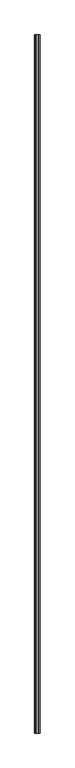
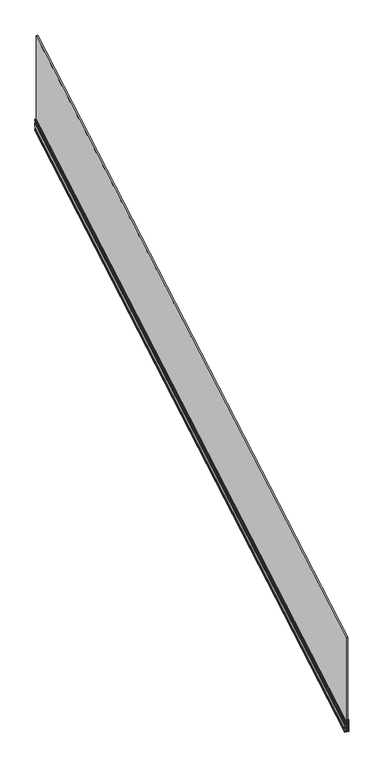
"""IFC4 building model written with IfcOpenShell, lengths in millimetres: railing geometry."""

import ifcopenshell
import ifcopenshell.guid

model = None  # the IFC model being written
_history = None  # IfcOwnerHistory: only IFC2X3 demands one
_inside = {}  # id of a spatial element -> (the spatial element, [elements in it])
_under = {}  # id of a project, library or spatial element -> (it, [spatial elements below it])
_declared = {}  # id of a project -> (the project, [libraries it declares])
_typed = {}  # id of a type object -> (the type object, [elements of that type])
_made_of = {}  # id of a material, layer set ... -> (it, [elements and type objects made of it])


def new_model(schema):
    """Start an empty IFC model of exactly this schema.

    Asked for "IFC4X3", IfcOpenShell would pick the latest addendum, in which some entities
    have other attributes; the version numbers below select the first issue.
    IFC2X3 requires an IfcOwnerHistory on every rooted entity: one is made here for all.
    """
    global model, _history
    if schema == "IFC4X3":
        model = ifcopenshell.file(schema_version=(4, 3, 0, 0))
    else:
        model = ifcopenshell.file(schema=schema)
    _inside.clear()
    _under.clear()
    _declared.clear()
    _typed.clear()
    _made_of.clear()
    _history = None
    if model.schema == "IFC2X3":
        org = make("IfcOrganization", Name="unknown")
        user = make(
            "IfcPersonAndOrganization",
            ThePerson=make("IfcPerson", FamilyName="unknown"),
            TheOrganization=org,
        )
        app = make(
            "IfcApplication",
            ApplicationDeveloper=org,
            Version="unknown",
            ApplicationFullName="unknown",
            ApplicationIdentifier="unknown",
        )
        _history = make(
            "IfcOwnerHistory",
            OwningUser=user,
            OwningApplication=app,
            ChangeAction="ADDED",
            CreationDate=0,
        )
    return model


def make(cls, **values):
    """One entity of the class cls with the attributes given. An attribute that is None is left unset."""
    return model.create_entity(
        cls, **{name: value for name, value in values.items() if value is not None}
    )


def rooted(cls, **values):
    """An entity with a GlobalId (a new one), such as an element, a storey or a relation."""
    return make(cls, GlobalId=ifcopenshell.guid.new(), OwnerHistory=_history, **values)


def si_unit(unit_type, name, prefix=None):
    """IfcSIUnit, for example si_unit("LENGTHUNIT", "METRE", prefix="MILLI")."""
    return make("IfcSIUnit", UnitType=unit_type, Prefix=prefix, Name=name)


def assignment(units):
    """IfcUnitAssignment: the units of a project."""
    return None if units is None else make("IfcUnitAssignment", Units=units)


def point(xyz):
    """IfcCartesianPoint."""
    return None if xyz is None else make("IfcCartesianPoint", Coordinates=xyz)


def direction(xyz):
    """IfcDirection."""
    return None if xyz is None else make("IfcDirection", DirectionRatios=xyz)


def frame(location, z_axis=None, x_axis=None):
    """IfcAxis2Placement3D, a coordinate frame: its origin and axes. An axis left out is left unset."""
    return make(
        "IfcAxis2Placement3D",
        Location=point(location),
        Axis=direction(z_axis),
        RefDirection=direction(x_axis),
    )


def origin():
    """The frame at (0, 0, 0) with its axes left unset."""
    return frame((0.0, 0.0, 0.0))


def place(relative_to, where):
    """IfcLocalPlacement: puts the frame where relative to a parent placement (None: the world)."""
    return make(
        "IfcLocalPlacement", PlacementRelTo=relative_to, RelativePlacement=where
    )


def context(
    kind, dimensions, precision=None, world=None, true_north=None, identifier=None
):
    """IfcGeometricRepresentationContext, for example the 3D "Model" context."""
    return make(
        "IfcGeometricRepresentationContext",
        ContextIdentifier=identifier,
        ContextType=kind,
        CoordinateSpaceDimension=dimensions,
        Precision=precision,
        WorldCoordinateSystem=world,
        TrueNorth=true_north,
    )


def project(units=None, contexts=None):
    """IfcProject with its units and contexts."""
    return rooted(
        "IfcProject",
        Name="project",
        RepresentationContexts=contexts,
        UnitsInContext=assignment(units),
    )


def spatial(cls, under=None, at=None, **own):
    """A site, building, storey or space (cls), placed at a placement, below another one or the project."""
    s = rooted(cls, ObjectPlacement=at, **own)
    if under is not None:
        _under.setdefault(under.id(), (under, []))[1].append(s)
    return s


def polyline(points):
    """IfcPolyline through the points."""
    return make("IfcPolyline", Points=[point(p) for p in points])


def ellipse_curve(where, semi_axis1, semi_axis2):
    """IfcEllipse in the frame where."""
    return make(
        "IfcEllipse", Position=where, SemiAxis1=semi_axis1, SemiAxis2=semi_axis2
    )


def faces_of(points, faces, orient=None, outer=None):
    """IfcFace entities. A face is a list of loops; a loop is a list of indices into points, from 0.

    orient and outer hold one flag for each loop. By default every Orientation is true, the
    first loop of a face is its IfcFaceOuterBound and the others are IfcFaceBound.
    """
    made = []
    for i, loops in enumerate(faces):
        bounds = []
        for j, loop in enumerate(loops):
            is_outer = j == 0 if outer is None else outer[i][j]
            bounds.append(
                make(
                    "IfcFaceOuterBound" if is_outer else "IfcFaceBound",
                    Bound=make("IfcPolyLoop", Polygon=[points[k] for k in loop]),
                    Orientation=True if orient is None else orient[i][j],
                )
            )
        made.append(make("IfcFace", Bounds=bounds))
    return made


def faceted_brep(points, faces, orient=None, outer=None, voids=None):
    """IfcFacetedBrep: a solid bounded by flat faces; with voids (closed shells), ...WithVoids."""
    shared = [point(p) for p in points]
    hull = make("IfcClosedShell", CfsFaces=faces_of(shared, faces, orient, outer))
    if voids is None:
        return make("IfcFacetedBrep", Outer=hull)
    return make(
        "IfcFacetedBrepWithVoids",
        Outer=hull,
        Voids=[
            make(cls, CfsFaces=faces_of(shared, fs, o, b)) for cls, fs, o, b in voids
        ],
    )


def shape(context_of_items, identifier, shape_type, items):
    """IfcShapeRepresentation: the items that make up one representation, for example the "Body"."""
    return make(
        "IfcShapeRepresentation",
        ContextOfItems=context_of_items,
        RepresentationIdentifier=identifier,
        RepresentationType=shape_type,
        Items=items,
    )


def source(mapping_origin, context_of_items, identifier, shape_type, items):
    """IfcRepresentationMap: a shape defined once, which mapped items show again and again."""
    return make(
        "IfcRepresentationMap",
        MappingOrigin=mapping_origin,
        MappedRepresentation=shape(context_of_items, identifier, shape_type, items),
    )


def transform(
    local_origin,
    x_axis=None,
    y_axis=None,
    z_axis=None,
    scale=None,
    scale2=None,
    scale3=None,
    uniform=True,
):
    """IfcCartesianTransformationOperator3D, or its non-uniform kind. x_axis, y_axis, z_axis: its Axis1, 2, 3."""
    if uniform:
        return make(
            "IfcCartesianTransformationOperator3D",
            Axis1=direction(x_axis),
            Axis2=direction(y_axis),
            LocalOrigin=point(local_origin),
            Scale=scale,
            Axis3=direction(z_axis),
        )
    return make(
        "IfcCartesianTransformationOperator3DnonUniform",
        Axis1=direction(x_axis),
        Axis2=direction(y_axis),
        LocalOrigin=point(local_origin),
        Scale=scale,
        Axis3=direction(z_axis),
        Scale2=scale2,
        Scale3=scale3,
    )


def mapped(mapping_source, mapping_target):
    """IfcMappedItem: shows the shape of a source again, moved by a transform."""
    return make(
        "IfcMappedItem", MappingSource=mapping_source, MappingTarget=mapping_target
    )


def made_of(thing, what):
    """Note that an element or type object is made of a material, layer set ...; save() writes the relation."""
    if what is not None:
        _made_of.setdefault(what.id(), (what, []))[1].append(thing)
    return thing


def element(
    cls,
    number,
    at=None,
    inside=None,
    cuts=None,
    type_object=None,
    material=None,
    context=None,
    identifier="Body",
    shape_type=None,
    held_by="IfcProductDefinitionShape",
    body=None,
    shapes=None,
    **own,
):
    """One element of the class cls, such as IfcWall. Its Tag is "e" and its number.

    at: its placement. inside: the storey or other place that contains it. cuts: it is an
    opening in that element (IfcRelVoidsElement). A single representation is given by context,
    identifier, shape_type and body (its items); several are given by shapes. held_by: the class
    of the entity that holds the representations. save() writes the other relations.
    """
    e = rooted(cls, Tag="e%d" % number, ObjectPlacement=at, **own)
    if body is not None:
        shapes = [shape(context, identifier, shape_type, body)]
    if shapes is not None:
        e.Representation = make(held_by, Representations=shapes)
    if inside is not None:
        _inside.setdefault(inside.id(), (inside, []))[1].append(e)
    if cuts is not None:
        rooted(
            "IfcRelVoidsElement", RelatingBuildingElement=cuts, RelatedOpeningElement=e
        )
    if type_object is not None:
        _typed.setdefault(type_object.id(), (type_object, []))[1].append(e)
    return made_of(e, material)


def aggregate(whole, parts):
    """IfcRelAggregates: a whole, such as a stair, and the parts it consists of."""
    return rooted("IfcRelAggregates", RelatingObject=whole, RelatedObjects=parts)


def save(model, path):
    """Write the relations noted so far, then the file.

    IfcRelAggregates (storeys below a building ...), IfcRelContainedInSpatialStructure (elements
    in a storey), IfcRelDefinesByType, IfcRelAssociatesMaterial and IfcRelDeclares: one each for
    every whole, place, type object, material and project.
    """
    for whole, parts in _under.values():
        aggregate(whole, parts)
    for where, things in _inside.values():
        rooted(
            "IfcRelContainedInSpatialStructure",
            RelatedElements=things,
            RelatingStructure=where,
        )
    for kind, things in _typed.values():
        rooted("IfcRelDefinesByType", RelatedObjects=things, RelatingType=kind)
    for what, things in _made_of.values():
        rooted("IfcRelAssociatesMaterial", RelatedObjects=things, RelatingMaterial=what)
    for by, libraries in _declared.values():
        rooted("IfcRelDeclares", RelatingContext=by, RelatedDefinitions=libraries)
    model.write(path)


def plane_surface(at):
    """IfcPlane: the flat surface through the origin of the frame at, square to its z axis."""
    return make("IfcPlane", Position=at)


def cylinder_surface(at, radius):
    """IfcCylindricalSurface: all points at the distance radius from the z axis of the frame at."""
    return make("IfcCylindricalSurface", Position=at, Radius=radius)


def revolved_surface(curve, axis_point, axis_direction):
    """IfcSurfaceOfRevolution: the curve turned about the line through axis_point along axis_direction."""
    return make(
        "IfcSurfaceOfRevolution",
        SweptCurve=make("IfcArbitraryOpenProfileDef", ProfileType="CURVE", Curve=curve),
        AxisPosition=make("IfcAxis1Placement", Location=point(axis_point), Axis=direction(axis_direction)),
    )


def advanced_brep(points, edges, surfaces, faces):
    """IfcAdvancedBrep: a solid bounded by faces that lie on surfaces and meet in shared edges.

    An edge is (start, end): straight between two places in points (the first is 0);
    or (start, end, curve); or (start, end, curve, False) where it runs against its curve.
    A face is (place in surfaces, loops), or (place, loops, False) where it looks against
    its surface's normal. A loop lists edges by number (the first is 1), with a minus sign
    where the edge is run from its end to its start. The first loop is the outer one.
    """
    corners = [point(p) for p in points]
    vertices = [make("IfcVertexPoint", VertexGeometry=c) for c in corners]
    made = []
    for start, end, *more in edges:
        made.append(
            make(
                "IfcEdgeCurve",
                EdgeStart=vertices[start],
                EdgeEnd=vertices[end],
                EdgeGeometry=more[0] if more else make("IfcPolyline", Points=[corners[start], corners[end]]),
                SameSense=more[1] if len(more) > 1 else True,
            )
        )
    hull = []
    for where, loops, *sense in faces:
        bounds = []
        for j, loop in enumerate(loops):
            ring = [make("IfcOrientedEdge", EdgeElement=made[abs(k) - 1], Orientation=k > 0) for k in loop]
            bounds.append(
                make(
                    "IfcFaceOuterBound" if j == 0 else "IfcFaceBound",
                    Bound=make("IfcEdgeLoop", EdgeList=ring),
                    Orientation=True,
                )
            )
        hull.append(make("IfcAdvancedFace", Bounds=bounds, FaceSurface=surfaces[where], SameSense=sense[0] if sense else True))
    return make("IfcAdvancedBrep", Outer=make("IfcClosedShell", CfsFaces=hull))


def railing_c26ebcb7(model_context):
    return source(origin(), model_context, "Body", "SolidModel", [
        faceted_brep([(-16157.1094741, -67863.9305034, 1172.4394537), (-16174.6294741, -67863.9305034, 1172.4394537), (-16174.6294741, -67863.9305034, 28.1159935), (-16157.1094741, -67863.9305034, 28.1159935), (-16157.1094741, -61563.9305034, 4824.6133667), (-16157.1094741, -61563.9305034, 3680.2899066), (-16174.6294741, -61563.9305034, 3680.2899066), (-16174.6294741, -61563.9305034, 4824.6133667)], [[[0, 1, 2, 3]], [[4, 5, 6, 7]], [[2, 1, 7, 6]], [[1, 0, 4, 7]], [[0, 3, 5, 4]], [[3, 2, 6, 5]]]),
        faceted_brep([(-16178.3694741, -67863.9305034, 15.4718663), (-16178.3694741, -67863.9305034, 38.589512), (-16182.4075682, -67863.9305034, 142.6189174), (-16188.2694741, -67863.9305034, 142.6189174), (-16189.3694741, -67863.9305034, 141.3474469), (-16189.3694741, -67863.9305034, 120.5415658), (-16186.8694741, -67863.9305034, 117.6518601), (-16186.8694741, -67863.9305034, 98.6953907), (-16189.3694741, -67863.9305034, 95.805685), (-16189.3694741, -67863.9305034, 50.7262759), (-16186.8694741, -67863.9305034, 47.8365702), (-16186.8694741, -67863.9305034, 29.3424537), (-16189.3694741, -67863.9305034, 26.452748), (-16189.3694741, -67863.9305034, 3.9130435), (-16144.3694741, -67863.9305034, 3.9130435), (-16144.3694741, -67863.9305034, 6.224808), (-16148.6194741, -67863.9305034, 6.9152149), (-16148.6194741, -67863.9305034, 8.8255945), (-16144.8694741, -67863.9305034, 8.8255945), (-16144.8694741, -67863.9305034, 143.7747997), (-16145.8694741, -67863.9305034, 143.7747997), (-16146.8694741, -67863.9305034, 142.6189174), (-16150.5694741, -67863.9305034, 142.6189174), (-16150.5694741, -67863.9305034, 119.5012718), (-16149.5694741, -67863.9305034, 118.8339228), (-16153.3694741, -67863.9305034, 92.3380381), (-16153.3694741, -67863.9305034, 15.4718663), (-16178.3694741, -61563.9305034, 3667.6457794), (-16153.3694741, -61563.9305034, 3667.6457794), (-16153.3694741, -61563.9305034, 3744.5119512), (-16149.5694741, -61563.9305034, 3771.0078359), (-16150.5694741, -61563.9305034, 3771.6751848), (-16150.5694741, -61563.9305034, 3794.7928305), (-16146.8694741, -61563.9305034, 3794.7928305), (-16145.8694741, -61563.9305034, 3795.9487128), (-16144.8694741, -61563.9305034, 3795.9487128), (-16144.8694741, -61563.9305034, 3660.9995075), (-16148.6194741, -61563.9305034, 3660.9995075), (-16148.6194741, -61563.9305034, 3659.0891279), (-16144.3694741, -61563.9305034, 3658.3987211), (-16144.3694741, -61563.9305034, 3656.0869565), (-16189.3694741, -61563.9305034, 3656.0869565), (-16189.3694741, -61563.9305034, 3678.626661), (-16186.8694741, -61563.9305034, 3681.5163667), (-16186.8694741, -61563.9305034, 3700.0104833), (-16189.3694741, -61563.9305034, 3702.900189), (-16189.3694741, -61563.9305034, 3747.979598), (-16186.8694741, -61563.9305034, 3750.8693037), (-16186.8694741, -61563.9305034, 3769.8257732), (-16189.3694741, -61563.9305034, 3772.7154789), (-16189.3694741, -61563.9305034, 3793.52136), (-16188.2694741, -61563.9305034, 3794.7928305), (-16182.4075682, -61563.9305034, 3794.7928305), (-16178.3694741, -61563.9305034, 3690.763425)], [[[0, 1, 2, 3, 4, 5, 6, 7, 8, 9, 10, 11, 12, 13, 14, 15, 16, 17, 18, 19, 20, 21, 22, 23, 24, 25, 26]], [[27, 28, 29, 30, 31, 32, 33, 34, 35, 36, 37, 38, 39, 40, 41, 42, 43, 44, 45, 46, 47, 48, 49, 50, 51, 52, 53]], [[1, 0, 27, 53]], [[2, 1, 53, 52]], [[3, 2, 52, 51]], [[4, 3, 51, 50]], [[5, 4, 50, 49]], [[6, 5, 49, 48]], [[7, 6, 48, 47]], [[8, 7, 47, 46]], [[9, 8, 46, 45]], [[10, 9, 45, 44]], [[11, 10, 44, 43]], [[12, 11, 43, 42]], [[13, 12, 42, 41]], [[14, 13, 41, 40]], [[15, 14, 40, 39]], [[16, 15, 39, 38]], [[17, 16, 38, 37]], [[18, 17, 37, 36]], [[19, 18, 36, 35]], [[20, 19, 35, 34]], [[21, 20, 34, 33]], [[22, 21, 33, 32]], [[23, 22, 32, 31]], [[24, 23, 31, 30]], [[25, 24, 30, 29]], [[26, 25, 29, 28]], [[0, 26, 28, 27]]]),
        advanced_brep(
        [(-16154.5694741, -67863.9305034, 15.7030428), (-16153.5694741, -67863.9305034, 16.858925), (-16153.5694741, -67863.9305034, 92.3570699), (-16149.7894352, -67863.9305034, 118.713774), (-16150.7694741, -67863.9305034, 119.367802), (-16150.7694741, -67863.9305034, 143.67647), (-16154.44531, -67863.9305034, 146.1819002), (-16155.3194741, -67863.9305034, 145.7985353), (-16155.3194741, -67863.9305034, 17.7836309), (-16176.1824358, -67863.9305034, 17.7836309), (-16176.467956, -67863.9305034, 15.7030428), (-16154.5694741, -61563.9305034, 3667.8769558), (-16176.467956, -61563.9305034, 3667.8769558), (-16176.1824358, -61563.9305034, 3669.9575439), (-16155.3194741, -61563.9305034, 3669.9575439), (-16155.3194741, -61563.9305034, 3797.9724484), (-16154.44531, -61563.9305034, 3798.3558133), (-16150.7694741, -61563.9305034, 3795.8503831), (-16150.7694741, -61563.9305034, 3771.541715), (-16149.7894352, -61563.9305034, 3770.8876871), (-16153.5694741, -61563.9305034, 3744.5309829), (-16153.5694741, -61563.9305034, 3669.0328381)],
        [
            (0, 1, ellipse_curve(frame((-16154.5694741, -67863.9305034, 16.858925), z_axis=(0.0, -1.0, 0.0), x_axis=(0.0, 0.0, -1.0)), 1.1558823, 1.0)),
            (1, 2),
            (2, 3),
            (3, 4),
            (4, 5),
            (5, 6, ellipse_curve(frame((-16149.2557621, -67863.9305034, 151.4990598), z_axis=(0.0, 1.0, 0.0), x_axis=(0.0, 0.0, 1.0)), 8.0158759, 6.9348549)),
            (6, 7, ellipse_curve(frame((-16154.8194741, -67863.9305034, 145.7985353), z_axis=(0.0, -1.0, 0.0), x_axis=(0.0, 0.0, -1.0)), 0.5779411, 0.5)),
            (7, 8),
            (8, 9),
            (9, 10, ellipse_curve(frame((-16175.8110111, -67863.9305034, 16.6490617), z_axis=(0.0, -1.0, 0.0), x_axis=(0.0, 0.0, -1.0)), 1.2130811, 1.049485)),
            (10, 0),
            (11, 12),
            (12, 13, ellipse_curve(frame((-16175.8110111, -61563.9305034, 3668.8229747), z_axis=(0.0, 1.0, 0.0), x_axis=(0.0, 0.0, -1.0)), 1.2130811, 1.049485)),
            (13, 14),
            (14, 15),
            (15, 16, ellipse_curve(frame((-16154.8194741, -61563.9305034, 3797.9724484), z_axis=(0.0, 1.0, 0.0), x_axis=(0.0, 0.0, -1.0)), 0.5779411, 0.5)),
            (16, 17, ellipse_curve(frame((-16149.2557621, -61563.9305034, 3803.6729729), z_axis=(0.0, -1.0, 0.0), x_axis=(0.0, 0.0, 1.0)), 8.0158759, 6.9348549)),
            (17, 18),
            (18, 19),
            (19, 20),
            (20, 21),
            (21, 11, ellipse_curve(frame((-16154.5694741, -61563.9305034, 3669.0328381), z_axis=(0.0, 1.0, 0.0), x_axis=(0.0, 0.0, -1.0)), 1.1558823, 1.0)),
            (0, 11),
            (21, 1),
            (20, 2),
            (19, 3),
            (18, 4),
            (17, 5),
            (16, 6),
            (15, 7),
            (14, 8),
            (13, 9),
            (12, 10),
        ],
        [
            plane_surface(frame((-16165.8694741, -67863.9305034, 3.9130435), z_axis=(0.0, -1.0, 0.0), x_axis=(0.0, 0.0, 1.0))),
            plane_surface(frame((-16165.8694741, -61563.9305034, 3656.0869565), z_axis=(0.0, 1.0, 0.0), x_axis=(0.0, 0.0, 1.0))),
            cylinder_surface(frame((-16154.5694741, -67869.5476442, 13.6026115), z_axis=(0.0, -0.8651400014650138, -0.5015304356318926), x_axis=(1.0, 0.0, 0.0)), 1.0),
            plane_surface(frame((-16153.5694741, -67863.9305034, 16.858925), z_axis=(1.0, 0.0, 0.0), x_axis=(0.0, 0.8651400014650138, 0.5015304356318927))),
            plane_surface(frame((-16153.5694741, -67863.9305034, 92.3570699), z_axis=(0.9865362159973998, 0.0820217639386362, -0.1414875427941502), x_axis=(0.0, 0.8651400014650138, 0.5015304356318926))),
            plane_surface(frame((-16149.7894352, -67863.9305034, 118.713774), z_axis=(0.4999999999996253, -0.4343380980284044, 0.7492332190989953), x_axis=(0.0, 0.8651400014650138, 0.5015304356318926))),
            plane_surface(frame((-16150.7694741, -67863.9305034, 119.367802), z_axis=(1.0, 0.0, 0.0), x_axis=(0.0, 0.8651400014650138, 0.5015304356318926))),
            revolved_surface(polyline([(-16142.320907199999, -61560.45246259887, 3805.689228418052), (-16142.320907199999, -67867.4085442093, 149.48280429605524)]), (-16149.2557621, -67927.9671965, 114.3763392), (0.0, 0.8651400014650138, 0.5015304356318926)),
            cylinder_surface(frame((-16154.8194741, -67925.4937729, 110.1096834), z_axis=(0.0, -0.8651400014650138, -0.5015304356318926), x_axis=(1.0, 0.0, 0.0)), 0.5),
            plane_surface(frame((-16155.3194741, -67863.9305034, 145.7985353), z_axis=(-1.0, 0.0, 0.0), x_axis=(0.0, 0.8651400014650138, 0.5015304356318926))),
            plane_surface(frame((-16155.3194741, -67863.9305034, 17.7836309), z_axis=(0.0, -0.5015304356318926, 0.8651400014650138), x_axis=(0.0, 0.8651400014650138, 0.5015304356318926))),
            cylinder_surface(frame((-16175.8110111, -67869.4565858, 13.4455356), z_axis=(0.0, -0.8651400014650138, -0.5015304356318926), x_axis=(1.0, 0.0, 0.0)), 1.049485),
            plane_surface(frame((-16176.467956, -67863.9305034, 15.7030428), z_axis=(0.0, 0.5015304356318926, -0.8651400014650138), x_axis=(0.0, 0.8651400014650138, 0.5015304356318926))),
        ],
        [
            (0, [[1, 2, 3, 4, 5, 6, 7, 8, 9, 10, 11]]),
            (1, [[12, 13, 14, 15, 16, 17, 18, 19, 20, 21, 22]]),
            (2, [[-1, 23, -22, 24]]),
            (3, [[-2, -24, -21, 25]]),
            (4, [[-3, -25, -20, 26]]),
            (5, [[-4, -26, -19, 27]]),
            (6, [[-5, -27, -18, 28]]),
            (7, [[-6, -28, -17, 29]]),
            (8, [[-7, -29, -16, 30]]),
            (9, [[-8, -30, -15, 31]]),
            (10, [[-9, -31, -14, 32]]),
            (11, [[-10, -32, -13, 33]]),
            (12, [[-11, -33, -12, -23]]),
        ],
    ),
        faceted_brep([(-16178.4537863, -67863.9305034, 45.9191459), (-16176.4785013, -67863.9305034, 45.9191459), (-16176.4785013, -67863.9305034, 106.6068032), (-16180.8094901, -67863.9305034, 106.6068032), (-16178.4537863, -61563.9305034, 3698.0930589), (-16180.8094901, -61563.9305034, 3758.7807162), (-16176.4785013, -61563.9305034, 3758.7807162), (-16176.4785013, -61563.9305034, 3698.0930589)], [[[0, 1, 2, 3]], [[4, 5, 6, 7]], [[1, 0, 4, 7]], [[2, 1, 7, 6]], [[3, 2, 6, 5]], [[0, 3, 5, 4]]]),
        advanced_brep(
        [(-16181.8224849, -67863.9305034, 132.7035813), (-16180.4686843, -67863.9305034, 129.1592324), (-16177.3950589, -67863.9305034, 129.1592324), (-16176.4194741, -67863.9305034, 130.061256), (-16176.4194741, -67863.9305034, 144.7882598), (-16177.0148786, -67863.9305034, 145.3555825), (-16182.2677831, -67863.9305034, 144.175356), (-16181.8224849, -61563.9305034, 3784.8774944), (-16182.2677831, -61563.9305034, 3796.349269), (-16177.0148786, -61563.9305034, 3797.5294955), (-16176.4194741, -61563.9305034, 3796.9621728), (-16176.4194741, -61563.9305034, 3782.235169), (-16177.3950589, -61563.9305034, 3781.3331454), (-16180.4686843, -61563.9305034, 3781.3331454)],
        [
            (0, 1, ellipse_curve(frame((-16166.2188442, -67863.9305034, 138.5488711), z_axis=(0.0, -1.0, 0.0), x_axis=(0.0, 0.0, -1.0)), 18.9595277, 16.4026458)),
            (1, 2),
            (2, 3, ellipse_curve(frame((-16177.3950589, -67863.9305034, 130.3151147), z_axis=(0.0, -1.0, 0.0), x_axis=(0.0, 0.0, -1.0)), 1.1558823, 1.0)),
            (3, 4),
            (4, 5, ellipse_curve(frame((-16176.9194741, -67863.9305034, 144.7882598), z_axis=(0.0, -1.0, 0.0), x_axis=(0.0, 0.0, -1.0)), 0.5779411, 0.5)),
            (5, 6),
            (6, 0),
            (7, 8),
            (8, 9),
            (9, 10, ellipse_curve(frame((-16176.9194741, -61563.9305034, 3796.9621728), z_axis=(0.0, 1.0, 0.0), x_axis=(0.0, 0.0, -1.0)), 0.5779411, 0.5)),
            (10, 11),
            (11, 12, ellipse_curve(frame((-16177.3950589, -61563.9305034, 3782.4890277), z_axis=(0.0, 1.0, 0.0), x_axis=(0.0, 0.0, -1.0)), 1.1558823, 1.0)),
            (12, 13),
            (13, 7, ellipse_curve(frame((-16166.2188442, -61563.9305034, 3790.7227841), z_axis=(0.0, 1.0, 0.0), x_axis=(0.0, 0.0, -1.0)), 18.9595277, 16.4026458)),
            (0, 7),
            (13, 1),
            (12, 2),
            (11, 3),
            (10, 4),
            (9, 5),
            (8, 6),
        ],
        [
            plane_surface(frame((-16165.8694741, -67863.9305034, 3.9130435), z_axis=(0.0, -1.0, 0.0), x_axis=(0.0, 0.0, 1.0))),
            plane_surface(frame((-16165.8694741, -61563.9305034, 3656.0869565), z_axis=(0.0, 1.0, 0.0), x_axis=(0.0, 0.0, 1.0))),
            cylinder_surface(frame((-16166.2188442, -67922.3481868, 104.6835474), z_axis=(0.0, -0.8651400014650138, -0.5015304356318926), x_axis=(1.0, 0.0, 0.0)), 16.4026458),
            plane_surface(frame((-16180.4686843, -67863.9305034, 129.1592324), z_axis=(0.0, 0.5015304356318926, -0.8651400014650138), x_axis=(0.0, 0.8651400014650138, 0.5015304356318926))),
            cylinder_surface(frame((-16177.3950589, -67918.7756089, 98.5208506), z_axis=(0.0, -0.8651400014650138, -0.5015304356318926), x_axis=(1.0, 0.0, 0.0)), 1.0),
            plane_surface(frame((-16176.4194741, -67863.9305034, 130.061256), z_axis=(1.0, 0.0, 0.0), x_axis=(0.0, 0.8651400014650138, 0.5015304356318926))),
            cylinder_surface(frame((-16176.9194741, -67925.0554204, 109.3535253), z_axis=(0.0, -0.8651400014650138, -0.5015304356318926), x_axis=(1.0, 0.0, 0.0)), 0.5),
            plane_surface(frame((-16177.0148786, -67863.9305034, 145.3555825), z_axis=(-0.1908089953765454, -0.4923159089426144, 0.8492449429260094), x_axis=(0.0, 0.8651400014650138, 0.5015304356318926))),
            plane_surface(frame((-16182.2677831, -67863.9305034, 144.175356), z_axis=(-0.9989949613987466, 0.022479907218660822, -0.03877783995218692), x_axis=(0.0, 0.8651400014650138, 0.5015304356318926))),
        ],
        [
            (0, [[1, 2, 3, 4, 5, 6, 7]]),
            (1, [[8, 9, 10, 11, 12, 13, 14]]),
            (2, [[-1, 15, -14, 16]]),
            (3, [[-2, -16, -13, 17]]),
            (4, [[-3, -17, -12, 18]]),
            (5, [[-4, -18, -11, 19]]),
            (6, [[-5, -19, -10, 20]]),
            (7, [[-6, -20, -9, 21]]),
            (8, [[-7, -21, -8, -15]]),
        ],
    ),
        faceted_brep([(-16143.8694741, -67863.9305034, 6.3770321), (-16143.8694741, -67863.9305034, -3.6001914), (-16142.3694741, -67863.9305034, -3.6001914), (-16142.3694741, -67863.9305034, 146.6645054), (-16153.3694741, -67863.9305034, 146.6645054), (-16153.3694741, -67863.9305034, 144.930682), (-16150.1836877, -67863.9305034, 144.930682), (-16148.3836877, -67863.9305034, 142.8500939), (-16146.9523168, -67863.9305034, 142.8500939), (-16145.1523168, -67863.9305034, 144.930682), (-16143.8694741, -67863.9305034, 144.930682), (-16143.8694741, -67863.9305034, 8.594418), (-16148.2393349, -67863.9305034, 8.594418), (-16148.2393349, -67863.9305034, 7.0869101), (-16143.8694741, -61563.9305034, 3658.5509451), (-16148.2393349, -61563.9305034, 3659.2608232), (-16148.2393349, -61563.9305034, 3660.7683311), (-16143.8694741, -61563.9305034, 3660.7683311), (-16143.8694741, -61563.9305034, 3797.104595), (-16145.1523168, -61563.9305034, 3797.104595), (-16146.9523168, -61563.9305034, 3795.0240069), (-16148.3836877, -61563.9305034, 3795.0240069), (-16150.1836877, -61563.9305034, 3797.104595), (-16153.3694741, -61563.9305034, 3797.104595), (-16153.3694741, -61563.9305034, 3798.8384185), (-16142.3694741, -61563.9305034, 3798.8384185), (-16142.3694741, -61563.9305034, 3648.5737217), (-16143.8694741, -61563.9305034, 3648.5737217)], [[[0, 1, 2, 3, 4, 5, 6, 7, 8, 9, 10, 11, 12, 13]], [[14, 15, 16, 17, 18, 19, 20, 21, 22, 23, 24, 25, 26, 27]], [[1, 0, 14, 27]], [[2, 1, 27, 26]], [[3, 2, 26, 25]], [[4, 3, 25, 24]], [[5, 4, 24, 23]], [[6, 5, 23, 22]], [[7, 6, 22, 21]], [[8, 7, 21, 20]], [[9, 8, 20, 19]], [[10, 9, 19, 18]], [[11, 10, 18, 17]], [[12, 11, 17, 16]], [[13, 12, 16, 15]], [[0, 13, 15, 14]]]),
    ])


if __name__ == "__main__":
    model = new_model("IFC4")
    model_context = context("Model", 3, world=origin())
    ifc_project = project(units=[si_unit("LENGTHUNIT", "METRE", prefix="MILLI")], contexts=[model_context])
    site = spatial("IfcSite", under=ifc_project)
    building = spatial("IfcBuilding", under=site)
    placement = place(None, origin())
    railing_shape = railing_c26ebcb7(model_context)
    element("IfcRailing", 1, at=placement, inside=building, context=model_context, shape_type="MappedRepresentation", body=[
        mapped(railing_shape, transform((0.0, 0.0, 0.0), x_axis=(1.0, 0.0, 0.0), y_axis=(0.0, 1.0, 0.0), z_axis=(0.0, 0.0, 1.0))),
    ])
    save(model, "model.ifc")
